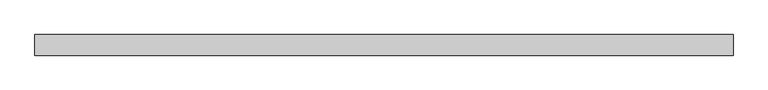
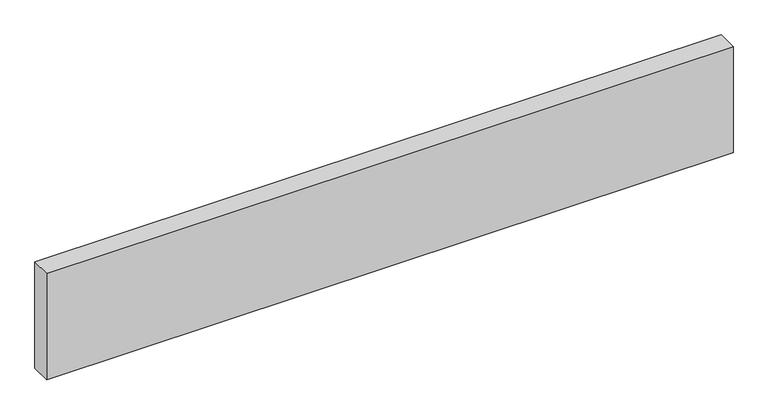
"""IFC4 building model written with IfcOpenShell, lengths in millimetres: beam geometry."""

from ifc_helpers import new_model, si_unit, frame, origin, place, context, project, spatial, polyline, outline, extrude, source, transform, mapped, element, save


def beam_7ce37741(model_context):
    return source(origin(), model_context, "Body", "SweptSolid", [
        extrude(outline(polyline([(610.0, -18.0), (-610.0, -18.0), (-610.0, 18.0), (610.0, 18.0), (610.0, -18.0)])), frame((0.0, 0.0, -100.0), z_axis=(0.0, 0.0, 1.0), x_axis=(1.0, 0.0, 0.0)), (0.0, 0.0, 1.0), 200.0),
    ])


if __name__ == "__main__":
    model = new_model("IFC4")
    model_context = context("Model", 3, world=origin())
    ifc_project = project(units=[si_unit("LENGTHUNIT", "METRE", prefix="MILLI")], contexts=[model_context])
    site = spatial("IfcSite", under=ifc_project)
    building = spatial("IfcBuilding", under=site)
    placement = place(None, origin())
    beam_shape = beam_7ce37741(model_context)
    element("IfcBeam", 1, at=placement, inside=building, context=model_context, shape_type="MappedRepresentation", body=[
        mapped(beam_shape, transform((0.0, 0.0, 0.0), x_axis=(1.0, 0.0, 0.0), y_axis=(0.0, 1.0, 0.0), z_axis=(0.0, 0.0, 1.0))),
    ])
    save(model, "model.ifc")
